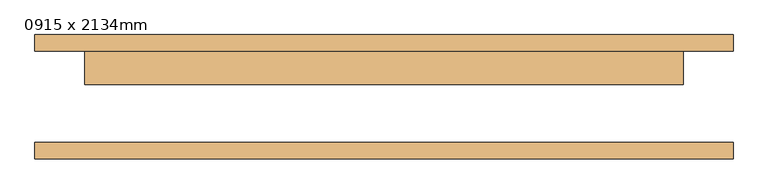
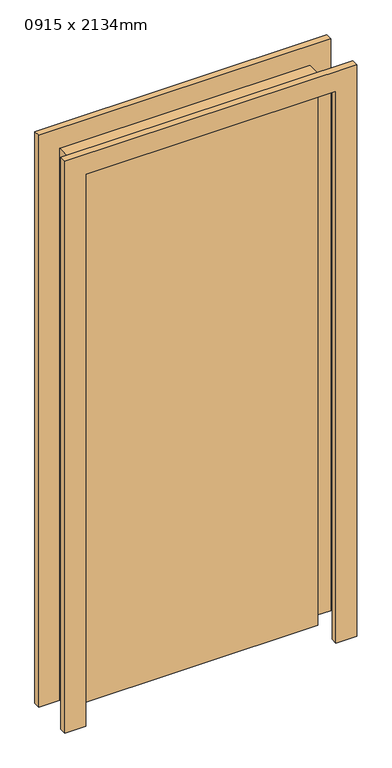
"""IFC4 building model written with IfcOpenShell, lengths in millimetres: door geometry, 0915 x 2134mm."""

from ifc_helpers import new_model, si_unit, frame, origin, origin_with_axes, place, context, project, spatial, polyline, outline, extrude, source, transform, mapped, element, save


def door_0915_x_2134mm_8e7afd8c(model_context):
    return source(origin(), model_context, "Body", "SweptSolid", [
        extrude(outline(polyline([(2210.0, -533.5), (0.0, -533.5), (0.0, -457.5), (2134.0, -457.5), (2134.0, 457.5), (0.0, 457.5), (0.0, 533.5), (2210.0, 533.5), (2210.0, -533.5)])), frame((0.0, 70.0, 0.0), z_axis=(0.0, 1.0, 0.0), x_axis=(0.0, 0.0, 1.0)), (0.0, 0.0, 1.0), 25.0),
        extrude(outline(polyline([(2210.0, 533.5), (2210.0, -533.5), (0.0, -533.5), (0.0, -457.5), (2134.0, -457.5), (2134.0, 457.5), (0.0, 457.5), (0.0, 533.5), (2210.0, 533.5)])), frame((0.0, -95.0, 0.0), z_axis=(0.0, 1.0, 0.0), x_axis=(0.0, 0.0, 1.0)), (0.0, 0.0, 1.0), 25.0),
        extrude(outline(polyline([(457.5, 19.0), (-457.5, 19.0), (-457.5, 70.0), (457.5, 70.0), (457.5, 19.0)])), origin_with_axes(), (0.0, 0.0, 1.0), 2134.0),
    ])


if __name__ == "__main__":
    model = new_model("IFC4")
    model_context = context("Model", 3, world=origin())
    ifc_project = project(units=[si_unit("LENGTHUNIT", "METRE", prefix="MILLI")], contexts=[model_context])
    site = spatial("IfcSite", under=ifc_project)
    building = spatial("IfcBuilding", under=site)
    placement = place(None, origin())
    door_0915_x_2134mm_shape = door_0915_x_2134mm_8e7afd8c(model_context)
    element("IfcDoor", 1, ObjectType="0915 x 2134mm", at=placement, inside=building, context=model_context, shape_type="MappedRepresentation", body=[
        mapped(door_0915_x_2134mm_shape, transform((0.0, 0.0, 0.0), x_axis=(1.0, 0.0, 0.0), y_axis=(0.0, 1.0, 0.0), z_axis=(0.0, 0.0, 1.0))),
    ])
    save(model, "model.ifc")
